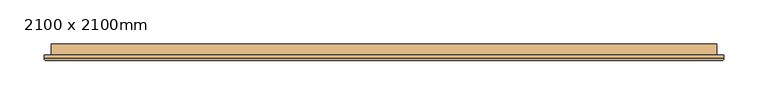
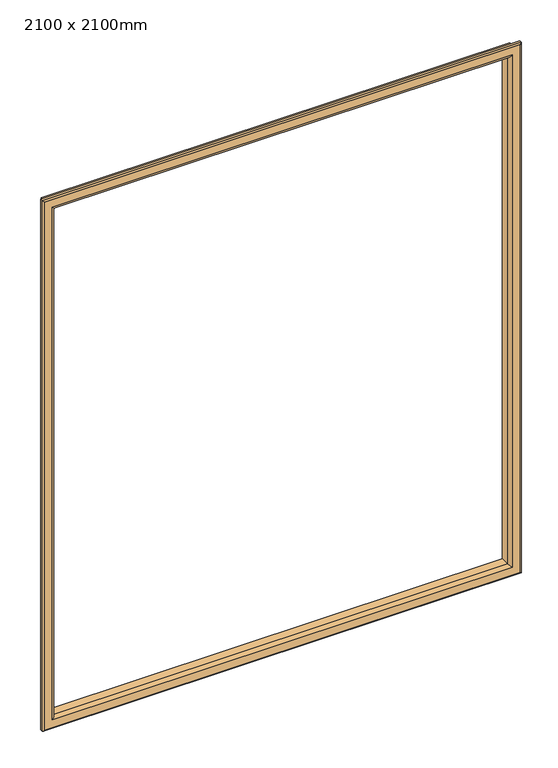
"""IFC4 building model written with IfcOpenShell, lengths in millimetres: door geometry, 2100 x 2100mm."""

from ifc_helpers import new_model, si_unit, frame, origin, place, context, project, spatial, ellipse_curve, source, transform, mapped, element, save
from ifc_brep_helpers import plane_surface, cylinder_surface, advanced_brep


def door_2100_x_2100mm_6f471736(model_context):
    return source(origin(), model_context, "Body", "AdvancedBrep", [
        advanced_brep(
        [(-900.0, 48.85, 1100.0), (-900.0, 36.35, 1100.0), (-900.0, 36.35, 1980.0), (-900.0, 48.85, 1980.0), (-888.0, 35.35, 1112.0), (-888.0, 48.85, 1112.0), (-888.0, 48.85, 1968.0), (-888.0, 35.35, 1968.0), (-893.0, 30.35, 1107.0), (-893.0, 30.35, 1973.0), (-908.0, 32.35, 1092.0), (-906.0, 30.35, 1094.0), (-906.0, 30.35, 1986.0), (-908.0, 32.35, 1988.0), (-908.0, 36.35, 1092.0), (-908.0, 36.35, 1988.0), (-150.0, 36.35, 1980.0), (-150.0, 48.85, 1980.0), (-162.0, 48.85, 1968.0), (-162.0, 35.35, 1968.0), (-157.0, 30.35, 1973.0), (-144.0, 30.35, 1986.0), (-142.0, 32.35, 1988.0), (-142.0, 36.35, 1988.0), (-150.0, 36.35, 1100.0), (-150.0, 48.85, 1100.0), (-162.0, 48.85, 1112.0), (-162.0, 35.35, 1112.0), (-157.0, 30.35, 1107.0), (-144.0, 30.35, 1094.0), (-142.0, 32.35, 1092.0), (-142.0, 36.35, 1092.0)],
        [
            (0, 1),
            (1, 2),
            (2, 3),
            (3, 0),
            (4, 5),
            (5, 6),
            (6, 7),
            (7, 4),
            (8, 4, ellipse_curve(frame((-893.0, 35.35, 1107.0), z_axis=(-0.7071067811865475, 0.0, 0.7071067811865475), x_axis=(-0.7071067811865474, 0.0, -0.7071067811865476)), 7.0710678, 5.0)),
            (7, 9, ellipse_curve(frame((-893.0, 35.35, 1973.0), z_axis=(-0.7071067811865475, 0.0, -0.7071067811865475), x_axis=(0.7071067811865474, 0.0, -0.7071067811865476)), 7.0710678, 5.0)),
            (9, 8),
            (10, 11, ellipse_curve(frame((-906.0, 32.35, 1094.0), z_axis=(-0.7071067811865475, 0.0, 0.7071067811865475), x_axis=(-0.7071067811865474, 0.0, -0.7071067811865476)), 2.8284271, 2.0)),
            (11, 12),
            (12, 13, ellipse_curve(frame((-906.0, 32.35, 1986.0), z_axis=(-0.7071067811865475, 0.0, -0.7071067811865475), x_axis=(0.7071067811865474, 0.0, -0.7071067811865476)), 2.8284271, 2.0)),
            (13, 10),
            (14, 10),
            (13, 15),
            (15, 14),
            (2, 16),
            (16, 17),
            (17, 3),
            (6, 18),
            (18, 19),
            (19, 7),
            (19, 20, ellipse_curve(frame((-157.0, 35.35, 1973.0), z_axis=(-0.7071067811865475, 0.0, 0.7071067811865475), x_axis=(-0.7071067811865476, 0.0, -0.7071067811865474)), 7.0710678, 5.0)),
            (20, 9),
            (12, 21),
            (21, 22, ellipse_curve(frame((-144.0, 32.35, 1986.0), z_axis=(-0.7071067811865475, 0.0, 0.7071067811865475), x_axis=(-0.7071067811865476, 0.0, -0.7071067811865474)), 2.8284271, 2.0)),
            (22, 13),
            (22, 23),
            (23, 15),
            (16, 24),
            (24, 25),
            (25, 17),
            (18, 26),
            (26, 27),
            (27, 19),
            (27, 28, ellipse_curve(frame((-157.0, 35.35, 1107.0), z_axis=(0.7071067811865475, 0.0, 0.7071067811865475), x_axis=(-0.7071067811865474, 0.0, 0.7071067811865476)), 7.0710678, 5.0)),
            (28, 20),
            (21, 29),
            (29, 30, ellipse_curve(frame((-144.0, 32.35, 1094.0), z_axis=(0.7071067811865475, 0.0, 0.7071067811865475), x_axis=(-0.7071067811865474, 0.0, 0.7071067811865476)), 2.8284271, 2.0)),
            (30, 22),
            (30, 31),
            (31, 23),
            (31, 14),
            (1, 24),
            (0, 25),
            (5, 26),
            (4, 27),
            (8, 28),
            (11, 29),
            (10, 30),
        ],
        [
            plane_surface(frame((-900.0, 36.35, 1100.0), z_axis=(-1.0, 0.0, 0.0), x_axis=(0.0, 0.0, 1.0))),
            plane_surface(frame((-888.0, 48.85, 1112.0), z_axis=(1.0, 0.0, 0.0), x_axis=(0.0, 0.0, 1.0))),
            cylinder_surface(frame((-893.0, 35.35, 1100.0), z_axis=(0.0, 0.0, -1.0), x_axis=(-1.0, 0.0, 0.0)), 5.0),
            cylinder_surface(frame((-906.0, 32.35, 1100.0), z_axis=(0.0, 0.0, -1.0), x_axis=(-1.0, 0.0, 0.0)), 2.0),
            plane_surface(frame((-908.0, 32.35, 1092.0), z_axis=(-1.0, 0.0, 0.0), x_axis=(0.0, 0.0, 1.0))),
            plane_surface(frame((-900.0, 36.35, 1980.0), z_axis=(0.0, 0.0, 1.0), x_axis=(1.0, 0.0, 0.0))),
            plane_surface(frame((-888.0, 48.85, 1968.0), z_axis=(0.0, 0.0, -1.0), x_axis=(1.0, 0.0, 0.0))),
            cylinder_surface(frame((-900.0, 35.35, 1973.0), z_axis=(-1.0, 0.0, 0.0), x_axis=(0.0, 0.0, 1.0)), 5.0),
            cylinder_surface(frame((-900.0, 32.35, 1986.0), z_axis=(-1.0, 0.0, 0.0), x_axis=(0.0, 0.0, 1.0)), 2.0),
            plane_surface(frame((-908.0, 32.35, 1988.0), z_axis=(0.0, 0.0, 1.0), x_axis=(1.0, 0.0, 0.0))),
            plane_surface(frame((-150.0, 36.35, 1980.0), z_axis=(1.0, 0.0, 0.0), x_axis=(0.0, 0.0, -1.0))),
            plane_surface(frame((-162.0, 48.85, 1968.0), z_axis=(-1.0, 0.0, 0.0), x_axis=(0.0, 0.0, -1.0))),
            cylinder_surface(frame((-157.0, 35.35, 1980.0), z_axis=(0.0, 0.0, 1.0), x_axis=(1.0, 0.0, 0.0)), 5.0),
            cylinder_surface(frame((-144.0, 32.35, 1980.0), z_axis=(0.0, 0.0, 1.0), x_axis=(1.0, 0.0, 0.0)), 2.0),
            plane_surface(frame((-142.0, 32.35, 1988.0), z_axis=(1.0, 0.0, 0.0), x_axis=(0.0, 0.0, -1.0))),
            plane_surface(frame((-142.0, 36.35, 1092.0), z_axis=(0.0, 1.0, 0.0), x_axis=(-1.0, 0.0, 0.0))),
            plane_surface(frame((-150.0, 36.35, 1100.0), z_axis=(0.0, 0.0, -1.0), x_axis=(-1.0, 0.0, 0.0))),
            plane_surface(frame((-150.0, 48.85, 1100.0), z_axis=(0.0, 1.0, 0.0), x_axis=(-1.0, 0.0, 0.0))),
            plane_surface(frame((-162.0, 48.85, 1112.0), z_axis=(0.0, 0.0, 1.0), x_axis=(-1.0, 0.0, 0.0))),
            cylinder_surface(frame((-150.0, 35.35, 1107.0), z_axis=(1.0, 0.0, 0.0), x_axis=(0.0, 0.0, -1.0)), 5.0),
            plane_surface(frame((-157.0, 30.35, 1107.0), z_axis=(0.0, -1.0, 0.0), x_axis=(-1.0, 0.0, 0.0))),
            cylinder_surface(frame((-150.0, 32.35, 1094.0), z_axis=(1.0, 0.0, 0.0), x_axis=(0.0, 0.0, -1.0)), 2.0),
            plane_surface(frame((-142.0, 32.35, 1092.0), z_axis=(0.0, 0.0, -1.0), x_axis=(-1.0, 0.0, 0.0))),
        ],
        [
            (0, [[1, 2, 3, 4]]),
            (1, [[5, 6, 7, 8]]),
            (2, [[9, -8, 10, 11]]),
            (3, [[12, 13, 14, 15]]),
            (4, [[16, -15, 17, 18]]),
            (5, [[-3, 19, 20, 21]]),
            (6, [[-7, 22, 23, 24]]),
            (7, [[-10, -24, 25, 26]]),
            (8, [[-14, 27, 28, 29]]),
            (9, [[-17, -29, 30, 31]]),
            (10, [[-20, 32, 33, 34]]),
            (11, [[-23, 35, 36, 37]]),
            (12, [[-25, -37, 38, 39]]),
            (13, [[-28, 40, 41, 42]]),
            (14, [[-30, -42, 43, 44]]),
            (15, [[-31, -44, 45, -18], [46, -32, -19, -2]]),
            (16, [[-33, -46, -1, 47]]),
            (17, [[-21, -34, -47, -4], [48, -35, -22, -6]]),
            (18, [[-36, -48, -5, 49]]),
            (19, [[-38, -49, -9, 50]]),
            (20, [[51, -40, -27, -13], [-26, -39, -50, -11]]),
            (21, [[-41, -51, -12, 52]]),
            (22, [[-43, -52, -16, -45]]),
        ],
    ),
    ])


if __name__ == "__main__":
    model = new_model("IFC4")
    model_context = context("Model", 3, world=origin())
    ifc_project = project(units=[si_unit("LENGTHUNIT", "METRE", prefix="MILLI")], contexts=[model_context])
    site = spatial("IfcSite", under=ifc_project)
    building = spatial("IfcBuilding", under=site)
    placement = place(None, origin())
    door_2100_x_2100mm_shape = door_2100_x_2100mm_6f471736(model_context)
    element("IfcDoor", 1, ObjectType="2100 x 2100mm", at=placement, inside=building, context=model_context, shape_type="MappedRepresentation", body=[
        mapped(door_2100_x_2100mm_shape, transform((0.0, 0.0, 0.0), x_axis=(1.0, 0.0, 0.0), y_axis=(0.0, 1.0, 0.0), z_axis=(0.0, 0.0, 1.0))),
    ])
    save(model, "model.ifc")
